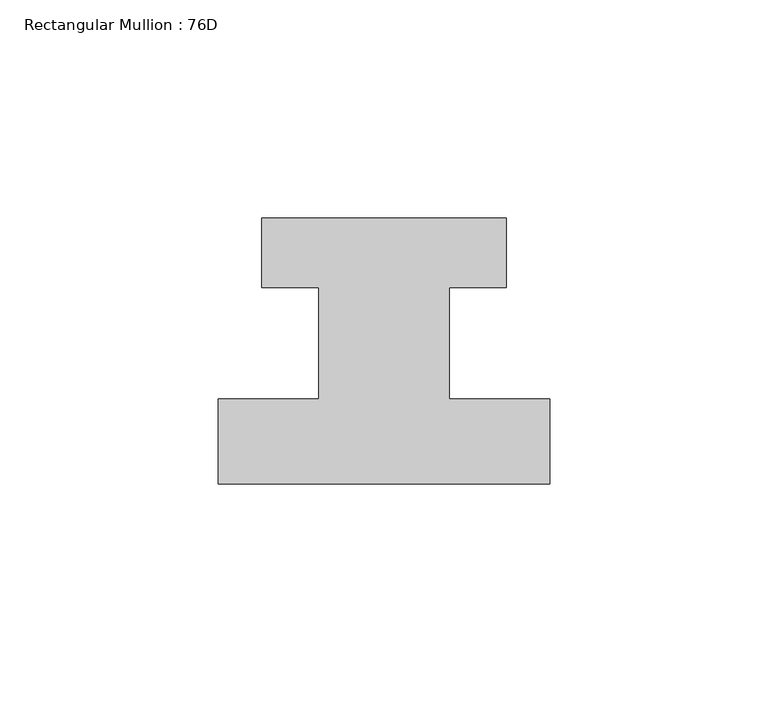
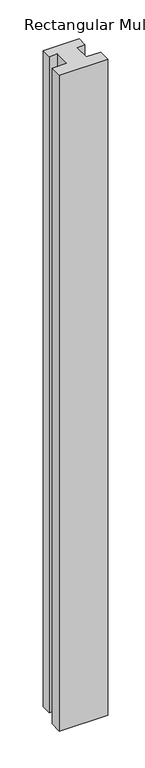
"""IFC4 building model written with IfcOpenShell, lengths in millimetres: member geometry, Rectangular Mullion : 76D."""

from ifc_helpers import new_model, si_unit, frame, origin, place, context, project, spatial, polyline, outline, extrude, source, transform, mapped, element, save


def rectangular_mullion_76d_bb85ba58(model_context):
    return source(origin(), model_context, "Body", "SweptSolid", [
        extrude(outline(polyline([(38.0, -20.0), (-38.0, -20.0), (-38.0, -0.5), (-15.0, -0.5), (-15.0, 25.0), (-28.0, 25.0), (-28.0, 41.0), (28.0, 41.0), (28.0, 25.0), (15.0, 25.0), (15.0, -0.5), (38.0, -0.5), (38.0, -20.0)])), frame((0.0, 0.0, -1086.0), z_axis=(0.0, 0.0, 1.0), x_axis=(1.0, 0.0, 0.0)), (0.0, 0.0, 1.0), 1086.0),
    ])


if __name__ == "__main__":
    model = new_model("IFC4")
    model_context = context("Model", 3, world=origin())
    ifc_project = project(units=[si_unit("LENGTHUNIT", "METRE", prefix="MILLI")], contexts=[model_context])
    site = spatial("IfcSite", under=ifc_project)
    building = spatial("IfcBuilding", under=site)
    placement = place(None, origin())
    rectangular_mullion_76d_shape = rectangular_mullion_76d_bb85ba58(model_context)
    element("IfcMember", 1, ObjectType="Rectangular Mullion : 76D", at=placement, inside=building, context=model_context, shape_type="MappedRepresentation", body=[
        mapped(rectangular_mullion_76d_shape, transform((0.0, 0.0, 0.0), x_axis=(1.0, 0.0, 0.0), y_axis=(0.0, 1.0, 0.0), z_axis=(0.0, 0.0, 1.0))),
    ])
    save(model, "model.ifc")
